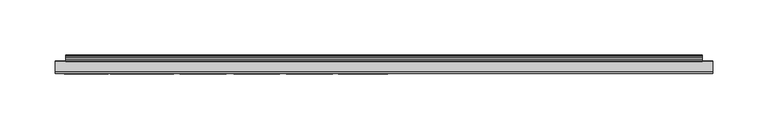
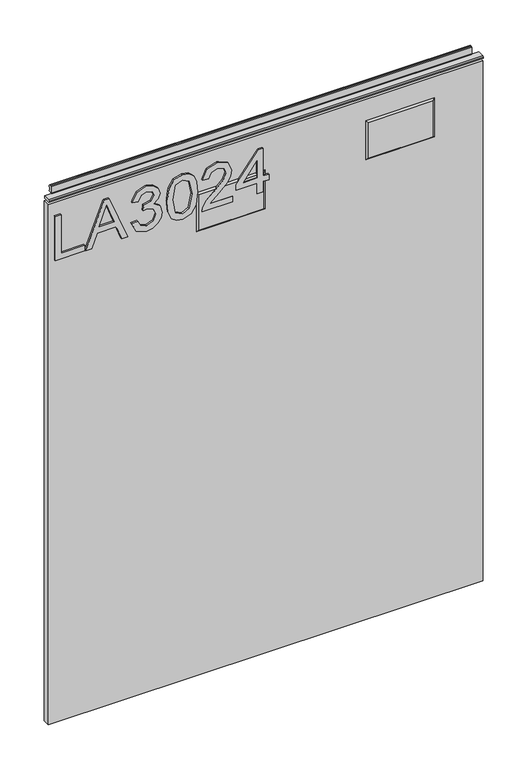
"""IFC4 building model written with IfcOpenShell, lengths in millimetres: furniture geometry."""

from ifc_helpers import new_model, si_unit, frame, origin, place, context, project, spatial, polyline, outline, extrude, faceted_brep, source, transform, mapped, element, save


def furniture_13556e0a(model_context):
    return source(origin(), model_context, "Body", "SolidModel", [
        extrude(outline(polyline([(773.6078, -289.7737583), (773.6078, -249.9051602), (781.5815196, -249.9051602), (781.5815196, -281.8000387), (837.3975569, -281.8000387), (837.3975569, -289.7737583), (773.6078, -289.7737583)])), frame((0.0, -5.5283158, 0.0), z_axis=(0.0, 1.0, 0.0), x_axis=(0.0, 0.0, 1.0)), (0.0, 0.0, 1.0), 2.38125),
        extrude(outline(polyline([(773.6078, -248.3633668), (773.6078, -239.9380107), (793.542099, -232.6495326), (793.542099, -206.3767494), (773.6078, -199.0726976), (773.6078, -190.6473416), (837.3975569, -216.1102938), (837.3975569, -222.9004145), (773.6078, -248.3633668)]), holes=[polyline([(801.5158187, -229.7216824), (818.5689885, -223.4766403), (829.4238373, -219.5053542), (817.1985055, -215.0357105), (801.5158187, -209.2890259), (801.5158187, -229.7216824)])]), frame((0.0, -5.5283158, 0.0), z_axis=(0.0, 1.0, 0.0), x_axis=(0.0, 0.0, 1.0)), (0.0, 0.0, 1.0), 2.38125),
        extrude(outline(polyline([(790.5519542, -185.1186883), (777.6102335, -178.7802041), (772.611085, -164.7950475), (774.0750101, -156.272356), (778.4667854, -149.3615394), (784.9610063, -144.7828801), (792.7322681, -143.2566603), (803.1043331, -146.3090998), (808.555118, -154.9992083), (813.8345925, -148.4582665), (821.1853653, -146.2468052), (829.2291664, -148.575069), (835.2094562, -155.3028949), (837.3975569, -164.9196368), (832.9590607, -177.5966051), (820.4534028, -184.1219733), (819.4566878, -176.1482537), (826.9320499, -172.2392623), (829.4238373, -164.6393108), (826.9554105, -157.1328013), (820.7181552, -154.2205248), (813.6788558, -158.2385319), (811.4829682, -168.5638759), (803.5092486, -169.4515751), (804.3813742, -163.8606272), (801.11869, -154.7967506), (792.8724312, -151.2303799), (784.120028, -154.827898), (780.5848047, -164.5147214), (783.1544604, -172.7454066), (791.5486691, -177.1449687), (790.5519542, -185.1186883)])), frame((0.0, -5.5283158, 0.0), z_axis=(0.0, 1.0, 0.0), x_axis=(0.0, 0.0, 1.0)), (0.0, 0.0, 1.0), 2.38125),
        extrude(outline(polyline([(804.9887473, -136.2796556), (789.4734775, -134.6911412), (778.6848168, -129.9255978), (774.129518, -123.6338347), (772.611085, -115.3486416), (776.1073742, -103.6761751), (786.7130443, -96.7381046), (804.9887473, -94.4176276), (819.9784058, -95.8659791), (829.4160505, -99.6036601), (835.3418324, -106.0355863), (837.3975569, -115.3486416), (833.9246283, -126.9743871), (823.3423188, -133.9358181), (804.9887473, -136.2796556)]), holes=[polyline([(805.004321, -128.305936), (825.1566514, -124.4436656), (829.4238373, -115.4420837), (824.5804256, -106.004439), (805.004321, -102.3913473), (785.2179718, -106.1290283), (780.5848047, -115.3486416), (785.2023982, -124.5682549), (805.004321, -128.305936)])]), frame((0.0, -5.5283158, 0.0), z_axis=(0.0, 1.0, 0.0), x_axis=(0.0, 0.0, 1.0)), (0.0, 0.0, 1.0), 2.38125),
        extrude(outline(polyline([(781.5815196, -46.5753099), (781.5815196, -77.8939626), (785.6384609, -74.2964445), (793.308494, -65.1235522), (804.2334243, -53.7002645), (812.0514072, -48.989229), (819.6124245, -47.5720249), (832.2893928, -52.8281389), (837.3975569, -67.1014085), (832.803324, -81.3279571), (819.4566878, -87.440623), (818.4599729, -79.4669034), (826.5115608, -76.1107772), (829.4238373, -67.2727189), (826.4414793, -58.7928549), (819.1296407, -55.5457445), (810.0969115, -58.9875258), (796.81257, -72.7546511), (787.5695962, -82.7373743), (779.1053059, -87.580786), (773.6078, -88.4373379), (773.6078, -46.5753099), (781.5815196, -46.5753099)])), frame((0.0, -5.5283158, 0.0), z_axis=(0.0, 1.0, 0.0), x_axis=(0.0, 0.0, 1.0)), (0.0, 0.0, 1.0), 2.38125),
        extrude(outline(polyline([(773.6078, -12.6870016), (773.6078, -4.7132819), (788.5585243, -4.7132819), (788.5585243, 3.2604377), (796.5322439, 3.2604377), (796.5322439, -4.7132819), (836.400842, -4.7132819), (836.400842, -10.6935717), (796.5322439, -41.5917352), (788.5585243, -41.5917352), (788.5585243, -12.6870016), (773.6078, -12.6870016)]), holes=[polyline([(796.5322439, -12.6870016), (796.5322439, -31.7803224), (821.1697916, -12.6870016), (796.5322439, -12.6870016)])]), frame((0.0, -5.5283158, 0.0), z_axis=(0.0, 1.0, 0.0), x_axis=(0.0, 0.0, 1.0)), (0.0, 0.0, 1.0), 2.38125),
        faceted_brep([(229.743, -5.2069939, 823.214), (140.081, -5.2069939, 823.214), (140.081, -5.2069939, 771.144), (229.743, -5.2069939, 771.144), (232.029, -3.1749939, 825.5), (232.029, -3.1749939, 768.858), (137.795, -3.1749939, 768.858), (137.795, -3.1749939, 825.5)], [[[0, 1, 2, 3]], [[4, 5, 6, 7]], [[4, 7, 1, 0]], [[7, 6, 2, 1]], [[6, 5, 3, 2]], [[5, 4, 0, 3]]]),
        faceted_brep([(-2.930525, -5.2069939, 800.173422), (-92.624275, -5.2069939, 800.173422), (-92.624275, -5.2069939, 748.0835783), (-2.930525, -5.2069939, 748.0835783), (-0.6484938, -3.1749939, 802.4554533), (-0.6484938, -3.1749939, 745.801547), (-94.9063063, -3.1749939, 745.801547), (-94.9063063, -3.1749939, 802.4554533)], [[[0, 1, 2, 3]], [[4, 5, 6, 7]], [[4, 7, 1, 0]], [[7, 6, 2, 1]], [[6, 5, 3, 2]], [[5, 4, 0, 3]]]),
        extrude(outline(polyline([(-298.196, 6.3500061), (298.196, 6.3500061), (298.196, -3.1749939), (-298.196, -3.1749939), (-298.196, 6.3500061)])), frame((0.0, 0.0, 101.6), z_axis=(0.0, 0.0, 1.0), x_axis=(1.0, 0.0, 0.0)), (0.0, 0.0, 1.0), 754.5578),
        extrude(outline(polyline([(5.5562561, 863.6), (6.3500061, 863.6), (6.3500061, 873.47425), (7.1437561, 874.268), (8.6677569, 874.268), (10.0084363, 873.8506926), (10.875413, 872.7461816), (10.9623604, 871.3447591), (10.2390011, 868.3863459), (10.4046103, 867.1833307), (11.6746103, 864.9836103), (10.7786383, 864.4663244), (7.1437561, 864.4663244), (7.1437561, 863.6), (6.3500061, 863.3669239), (6.3500061, 856.1578), (5.5562561, 856.1578), (5.5562561, 863.6)])), frame((-288.671, 0.0, 0.0), z_axis=(1.0, 0.0, 0.0), x_axis=(0.0, 1.0, 0.0)), (0.0, 0.0, 1.0), 577.342),
        extrude(outline(polyline([(5.5562561, 863.6), (5.5562561, 860.4249996), (-3.975094, 860.4249996), (-5.3492339, 861.2183657), (-5.3492339, 862.8066395), (-3.9751037, 863.6), (5.5562561, 863.6)])), frame((-298.196, 0.0, 0.0), z_axis=(1.0, 0.0, 0.0), x_axis=(0.0, 1.0, 0.0)), (0.0, 0.0, 1.0), 596.392),
    ])


if __name__ == "__main__":
    model = new_model("IFC4")
    model_context = context("Model", 3, world=origin())
    ifc_project = project(units=[si_unit("LENGTHUNIT", "METRE", prefix="MILLI")], contexts=[model_context])
    site = spatial("IfcSite", under=ifc_project)
    building = spatial("IfcBuilding", under=site)
    placement = place(None, origin())
    furniture_shape = furniture_13556e0a(model_context)
    element("IfcFurniture", 1, at=placement, inside=building, context=model_context, shape_type="MappedRepresentation", body=[
        mapped(furniture_shape, transform((0.0, 0.0, 0.0), x_axis=(1.0, 0.0, 0.0), y_axis=(0.0, 1.0, 0.0), z_axis=(0.0, 0.0, 1.0))),
    ])
    save(model, "model.ifc")
